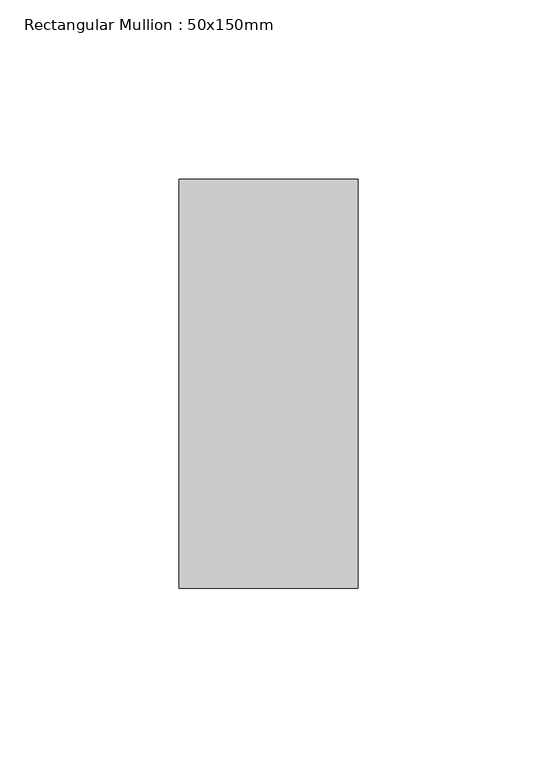
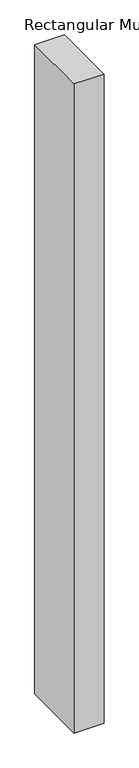
"""IFC4 building model written with IfcOpenShell, lengths in millimetres: member geometry, Rectangular Mullion : 50x150mm."""

import ifcopenshell
import ifcopenshell.guid

model = None  # the IFC model being written
_history = None  # IfcOwnerHistory: only IFC2X3 demands one
_inside = {}  # id of a spatial element -> (the spatial element, [elements in it])
_under = {}  # id of a project, library or spatial element -> (it, [spatial elements below it])
_declared = {}  # id of a project -> (the project, [libraries it declares])
_typed = {}  # id of a type object -> (the type object, [elements of that type])
_made_of = {}  # id of a material, layer set ... -> (it, [elements and type objects made of it])


def new_model(schema):
    """Start an empty IFC model of exactly this schema.

    Asked for "IFC4X3", IfcOpenShell would pick the latest addendum, in which some entities
    have other attributes; the version numbers below select the first issue.
    IFC2X3 requires an IfcOwnerHistory on every rooted entity: one is made here for all.
    """
    global model, _history
    if schema == "IFC4X3":
        model = ifcopenshell.file(schema_version=(4, 3, 0, 0))
    else:
        model = ifcopenshell.file(schema=schema)
    _inside.clear()
    _under.clear()
    _declared.clear()
    _typed.clear()
    _made_of.clear()
    _history = None
    if model.schema == "IFC2X3":
        org = make("IfcOrganization", Name="unknown")
        user = make(
            "IfcPersonAndOrganization",
            ThePerson=make("IfcPerson", FamilyName="unknown"),
            TheOrganization=org,
        )
        app = make(
            "IfcApplication",
            ApplicationDeveloper=org,
            Version="unknown",
            ApplicationFullName="unknown",
            ApplicationIdentifier="unknown",
        )
        _history = make(
            "IfcOwnerHistory",
            OwningUser=user,
            OwningApplication=app,
            ChangeAction="ADDED",
            CreationDate=0,
        )
    return model


def make(cls, **values):
    """One entity of the class cls with the attributes given. An attribute that is None is left unset."""
    return model.create_entity(
        cls, **{name: value for name, value in values.items() if value is not None}
    )


def rooted(cls, **values):
    """An entity with a GlobalId (a new one), such as an element, a storey or a relation."""
    return make(cls, GlobalId=ifcopenshell.guid.new(), OwnerHistory=_history, **values)


def si_unit(unit_type, name, prefix=None):
    """IfcSIUnit, for example si_unit("LENGTHUNIT", "METRE", prefix="MILLI")."""
    return make("IfcSIUnit", UnitType=unit_type, Prefix=prefix, Name=name)


def assignment(units):
    """IfcUnitAssignment: the units of a project."""
    return None if units is None else make("IfcUnitAssignment", Units=units)


def point(xyz):
    """IfcCartesianPoint."""
    return None if xyz is None else make("IfcCartesianPoint", Coordinates=xyz)


def direction(xyz):
    """IfcDirection."""
    return None if xyz is None else make("IfcDirection", DirectionRatios=xyz)


def frame(location, z_axis=None, x_axis=None):
    """IfcAxis2Placement3D, a coordinate frame: its origin and axes. An axis left out is left unset."""
    return make(
        "IfcAxis2Placement3D",
        Location=point(location),
        Axis=direction(z_axis),
        RefDirection=direction(x_axis),
    )


def origin():
    """The frame at (0, 0, 0) with its axes left unset."""
    return frame((0.0, 0.0, 0.0))


def place(relative_to, where):
    """IfcLocalPlacement: puts the frame where relative to a parent placement (None: the world)."""
    return make(
        "IfcLocalPlacement", PlacementRelTo=relative_to, RelativePlacement=where
    )


def context(
    kind, dimensions, precision=None, world=None, true_north=None, identifier=None
):
    """IfcGeometricRepresentationContext, for example the 3D "Model" context."""
    return make(
        "IfcGeometricRepresentationContext",
        ContextIdentifier=identifier,
        ContextType=kind,
        CoordinateSpaceDimension=dimensions,
        Precision=precision,
        WorldCoordinateSystem=world,
        TrueNorth=true_north,
    )


def project(units=None, contexts=None):
    """IfcProject with its units and contexts."""
    return rooted(
        "IfcProject",
        Name="project",
        RepresentationContexts=contexts,
        UnitsInContext=assignment(units),
    )


def spatial(cls, under=None, at=None, **own):
    """A site, building, storey or space (cls), placed at a placement, below another one or the project."""
    s = rooted(cls, ObjectPlacement=at, **own)
    if under is not None:
        _under.setdefault(under.id(), (under, []))[1].append(s)
    return s


def polyline(points):
    """IfcPolyline through the points."""
    return make("IfcPolyline", Points=[point(p) for p in points])


def outline(outer, holes=None, kind="AREA"):
    """IfcArbitraryClosedProfileDef: a profile drawn as a closed curve; with holes, ...WithVoids."""
    if holes is None:
        return make("IfcArbitraryClosedProfileDef", ProfileType=kind, OuterCurve=outer)
    return make(
        "IfcArbitraryProfileDefWithVoids",
        ProfileType=kind,
        OuterCurve=outer,
        InnerCurves=holes,
    )


def extrude(swept, where, along, depth):
    """IfcExtrudedAreaSolid: the profile swept, set in the frame where, extruded along a direction by depth."""
    return make(
        "IfcExtrudedAreaSolid",
        SweptArea=swept,
        Position=where,
        ExtrudedDirection=direction(along),
        Depth=depth,
    )


def shape(context_of_items, identifier, shape_type, items):
    """IfcShapeRepresentation: the items that make up one representation, for example the "Body"."""
    return make(
        "IfcShapeRepresentation",
        ContextOfItems=context_of_items,
        RepresentationIdentifier=identifier,
        RepresentationType=shape_type,
        Items=items,
    )


def source(mapping_origin, context_of_items, identifier, shape_type, items):
    """IfcRepresentationMap: a shape defined once, which mapped items show again and again."""
    return make(
        "IfcRepresentationMap",
        MappingOrigin=mapping_origin,
        MappedRepresentation=shape(context_of_items, identifier, shape_type, items),
    )


def transform(
    local_origin,
    x_axis=None,
    y_axis=None,
    z_axis=None,
    scale=None,
    scale2=None,
    scale3=None,
    uniform=True,
):
    """IfcCartesianTransformationOperator3D, or its non-uniform kind. x_axis, y_axis, z_axis: its Axis1, 2, 3."""
    if uniform:
        return make(
            "IfcCartesianTransformationOperator3D",
            Axis1=direction(x_axis),
            Axis2=direction(y_axis),
            LocalOrigin=point(local_origin),
            Scale=scale,
            Axis3=direction(z_axis),
        )
    return make(
        "IfcCartesianTransformationOperator3DnonUniform",
        Axis1=direction(x_axis),
        Axis2=direction(y_axis),
        LocalOrigin=point(local_origin),
        Scale=scale,
        Axis3=direction(z_axis),
        Scale2=scale2,
        Scale3=scale3,
    )


def mapped(mapping_source, mapping_target):
    """IfcMappedItem: shows the shape of a source again, moved by a transform."""
    return make(
        "IfcMappedItem", MappingSource=mapping_source, MappingTarget=mapping_target
    )


def made_of(thing, what):
    """Note that an element or type object is made of a material, layer set ...; save() writes the relation."""
    if what is not None:
        _made_of.setdefault(what.id(), (what, []))[1].append(thing)
    return thing


def element(
    cls,
    number,
    at=None,
    inside=None,
    cuts=None,
    type_object=None,
    material=None,
    context=None,
    identifier="Body",
    shape_type=None,
    held_by="IfcProductDefinitionShape",
    body=None,
    shapes=None,
    **own,
):
    """One element of the class cls, such as IfcWall. Its Tag is "e" and its number.

    at: its placement. inside: the storey or other place that contains it. cuts: it is an
    opening in that element (IfcRelVoidsElement). A single representation is given by context,
    identifier, shape_type and body (its items); several are given by shapes. held_by: the class
    of the entity that holds the representations. save() writes the other relations.
    """
    e = rooted(cls, Tag="e%d" % number, ObjectPlacement=at, **own)
    if body is not None:
        shapes = [shape(context, identifier, shape_type, body)]
    if shapes is not None:
        e.Representation = make(held_by, Representations=shapes)
    if inside is not None:
        _inside.setdefault(inside.id(), (inside, []))[1].append(e)
    if cuts is not None:
        rooted(
            "IfcRelVoidsElement", RelatingBuildingElement=cuts, RelatedOpeningElement=e
        )
    if type_object is not None:
        _typed.setdefault(type_object.id(), (type_object, []))[1].append(e)
    return made_of(e, material)


def aggregate(whole, parts):
    """IfcRelAggregates: a whole, such as a stair, and the parts it consists of."""
    return rooted("IfcRelAggregates", RelatingObject=whole, RelatedObjects=parts)


def save(model, path):
    """Write the relations noted so far, then the file.

    IfcRelAggregates (storeys below a building ...), IfcRelContainedInSpatialStructure (elements
    in a storey), IfcRelDefinesByType, IfcRelAssociatesMaterial and IfcRelDeclares: one each for
    every whole, place, type object, material and project.
    """
    for whole, parts in _under.values():
        aggregate(whole, parts)
    for where, things in _inside.values():
        rooted(
            "IfcRelContainedInSpatialStructure",
            RelatedElements=things,
            RelatingStructure=where,
        )
    for kind, things in _typed.values():
        rooted("IfcRelDefinesByType", RelatedObjects=things, RelatingType=kind)
    for what, things in _made_of.values():
        rooted("IfcRelAssociatesMaterial", RelatedObjects=things, RelatingMaterial=what)
    for by, libraries in _declared.values():
        rooted("IfcRelDeclares", RelatingContext=by, RelatedDefinitions=libraries)
    model.write(path)


def rectangular_mullion_50x150mm_8fcd4166(model_context):
    return source(origin(), model_context, "Body", "SweptSolid", [
        extrude(outline(polyline([(0.0, 57.15), (0.0, -57.15), (-50.0, -57.15), (-50.0, 57.15), (0.0, 57.15)])), frame((0.0, 0.0, -1150.1499997), z_axis=(0.0, 0.0, 1.0), x_axis=(1.0, 0.0, 0.0)), (0.0, 0.0, 1.0), 1150.1499997),
    ])


if __name__ == "__main__":
    model = new_model("IFC4")
    model_context = context("Model", 3, world=origin())
    ifc_project = project(units=[si_unit("LENGTHUNIT", "METRE", prefix="MILLI")], contexts=[model_context])
    site = spatial("IfcSite", under=ifc_project)
    building = spatial("IfcBuilding", under=site)
    placement = place(None, origin())
    rectangular_mullion_50x150mm_shape = rectangular_mullion_50x150mm_8fcd4166(model_context)
    element("IfcMember", 1, ObjectType="Rectangular Mullion : 50x150mm", at=placement, inside=building, context=model_context, shape_type="MappedRepresentation", body=[
        mapped(rectangular_mullion_50x150mm_shape, transform((0.0, 0.0, 0.0), x_axis=(1.0, 0.0, 0.0), y_axis=(0.0, 1.0, 0.0), z_axis=(0.0, 0.0, 1.0))),
    ])
    save(model, "model.ifc")
